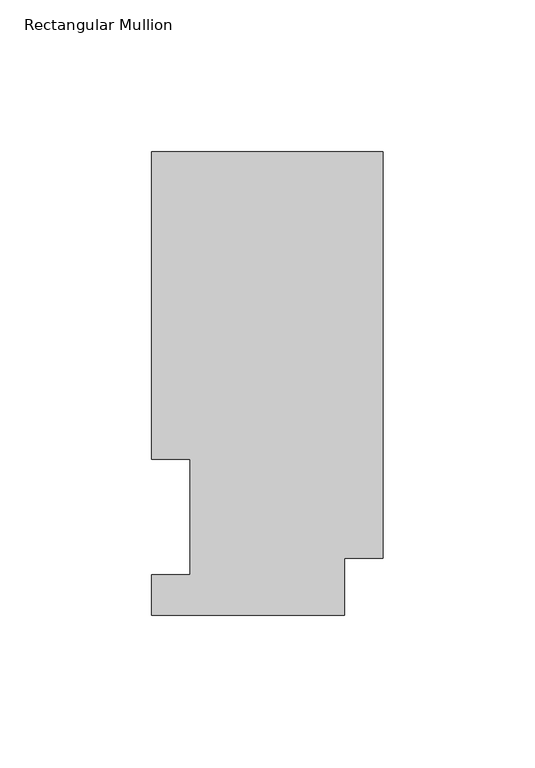
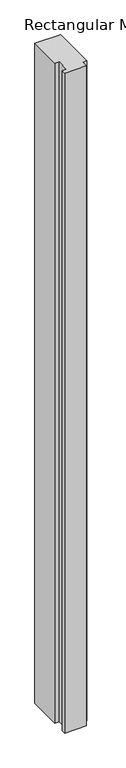
"""IFC4 building model written with IfcOpenShell, lengths in millimetres: member geometry, Rectangular Mullion."""

from ifc_helpers import new_model, si_unit, frame, origin, place, context, project, spatial, polyline, outline, extrude, source, transform, mapped, element, save


def rectangular_mullion_dd8b5ba5(model_context):
    return source(origin(), model_context, "Body", "SweptSolid", [
        extrude(outline(polyline([(0.0, 18.7332937), (-12.7, 18.7332937), (-12.7, 0.0134938), (-76.2, 0.0134938), (-76.2, 13.1960938), (-63.5, 13.1960938), (-63.5, 51.2960938), (-76.2, 51.2960938), (-76.2, 152.4896938), (0.0, 152.4896938), (0.0, 18.7332937)])), frame((0.0, 0.0, -2057.4), z_axis=(0.0, 0.0, 1.0), x_axis=(1.0, 0.0, 0.0)), (0.0, 0.0, 1.0), 2057.4),
    ])


if __name__ == "__main__":
    model = new_model("IFC4")
    model_context = context("Model", 3, world=origin())
    ifc_project = project(units=[si_unit("LENGTHUNIT", "METRE", prefix="MILLI")], contexts=[model_context])
    site = spatial("IfcSite", under=ifc_project)
    building = spatial("IfcBuilding", under=site)
    placement = place(None, origin())
    rectangular_mullion_shape = rectangular_mullion_dd8b5ba5(model_context)
    element("IfcMember", 1, ObjectType="Rectangular Mullion", at=placement, inside=building, context=model_context, shape_type="MappedRepresentation", body=[
        mapped(rectangular_mullion_shape, transform((0.0, 0.0, 0.0), x_axis=(1.0, 0.0, 0.0), y_axis=(0.0, 1.0, 0.0), z_axis=(0.0, 0.0, 1.0))),
    ])
    save(model, "model.ifc")
